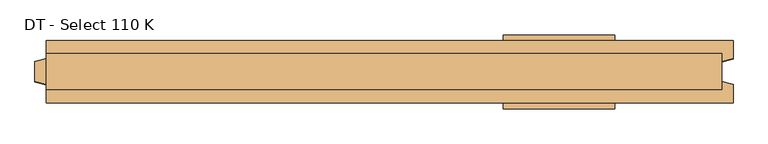
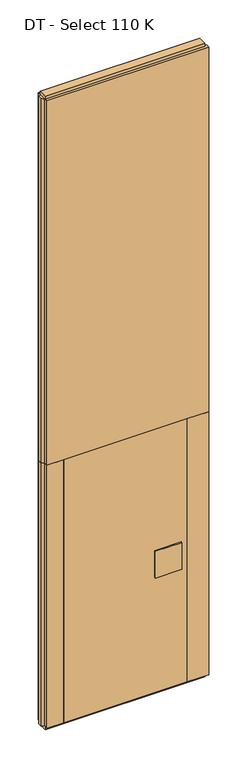
"""IFC4 building model written with IfcOpenShell, lengths in millimetres: door geometry, DT - Select 110 K."""

from ifc_helpers import new_model, si_unit, frame, origin, origin_with_axes, place, context, project, spatial, polyline, outline, extrude, source, transform, mapped, element, save


def dt_select_110_k_3f789f35(model_context):
    return source(origin(), model_context, "Body", "SweptSolid", [
        extrude(outline(polyline([(-460.0, -55.0), (-460.0, 55.0), (460.0, 55.0), (460.0, -55.0), (-460.0, -55.0)])), frame((0.0, 0.0, 25.0), z_axis=(0.0, 0.0, 1.0), x_axis=(1.0, 0.0, 0.0)), (0.0, 0.0, 1.0), 2075.0),
        extrude(outline(polyline([(219.7719698, -65.0), (219.7719698, -55.0), (416.7719698, -55.0), (416.7719698, -65.0), (219.7719698, -65.0)])), frame((0.0, 0.0, 934.0), z_axis=(0.0, 0.0, 1.0), x_axis=(1.0, 0.0, 0.0)), (0.0, 0.0, 1.0), 212.0),
        extrude(outline(polyline([(219.7719698, 55.0), (219.7719698, 65.0), (416.7719698, 65.0), (416.7719698, 55.0), (219.7719698, 55.0)])), frame((0.0, 0.0, 934.0), z_axis=(0.0, 0.0, 1.0), x_axis=(1.0, 0.0, 0.0)), (0.0, 0.0, 1.0), 212.0),
        extrude(outline(polyline([(605.0, 32.0), (605.0, -32.0), (-585.0, -32.0), (-585.0, 32.0), (605.0, 32.0)])), origin_with_axes(), (0.0, 0.0, 1.0), 25.0),
        extrude(outline(polyline([(605.0, 32.0), (605.0, -32.0), (-585.0, -32.0), (-585.0, 32.0), (605.0, 32.0)])), frame((0.0, 0.0, 4975.0), z_axis=(0.0, 0.0, 1.0), x_axis=(1.0, 0.0, 0.0)), (0.0, 0.0, 1.0), 25.0),
        extrude(outline(polyline([(625.0, -55.0), (460.0, -55.0), (460.0, 55.0), (625.0, 55.0), (625.0, 23.0), (605.0, 17.6410162), (605.0, -17.6410162), (625.0, -23.0), (625.0, -55.0)])), frame((0.0, 0.0, 25.0), z_axis=(0.0, 0.0, 1.0), x_axis=(1.0, 0.0, 0.0)), (0.0, 0.0, 1.0), 2075.0),
        extrude(outline(polyline([(-585.0, -55.0), (-585.0, -23.0), (-605.0, -17.6410162), (-605.0, 17.6410162), (-585.0, 23.0), (-585.0, 55.0), (-460.0, 55.0), (-460.0, -55.0), (-585.0, -55.0)])), frame((0.0, 0.0, 25.0), z_axis=(0.0, 0.0, 1.0), x_axis=(1.0, 0.0, 0.0)), (0.0, 0.0, 1.0), 2075.0),
        extrude(outline(polyline([(625.0, 55.0), (625.0, 23.0), (605.0, 17.6410162), (605.0, -17.6410162), (625.0, -23.0), (625.0, -55.0), (-585.0, -55.0), (-585.0, -23.0), (-605.0, -17.6410162), (-605.0, 17.6410162), (-585.0, 23.0), (-585.0, 55.0), (625.0, 55.0)])), frame((0.0, 0.0, 2100.0), z_axis=(0.0, 0.0, 1.0), x_axis=(1.0, 0.0, 0.0)), (0.0, 0.0, 1.0), 2875.0),
    ])


if __name__ == "__main__":
    model = new_model("IFC4")
    model_context = context("Model", 3, world=origin())
    ifc_project = project(units=[si_unit("LENGTHUNIT", "METRE", prefix="MILLI")], contexts=[model_context])
    site = spatial("IfcSite", under=ifc_project)
    building = spatial("IfcBuilding", under=site)
    placement = place(None, origin())
    dt_select_110_k_shape = dt_select_110_k_3f789f35(model_context)
    element("IfcDoor", 1, ObjectType="DT - Select 110 K", at=placement, inside=building, context=model_context, shape_type="MappedRepresentation", body=[
        mapped(dt_select_110_k_shape, transform((0.0, 0.0, 0.0), x_axis=(1.0, 0.0, 0.0), y_axis=(0.0, 1.0, 0.0), z_axis=(0.0, 0.0, 1.0))),
    ])
    save(model, "model.ifc")
